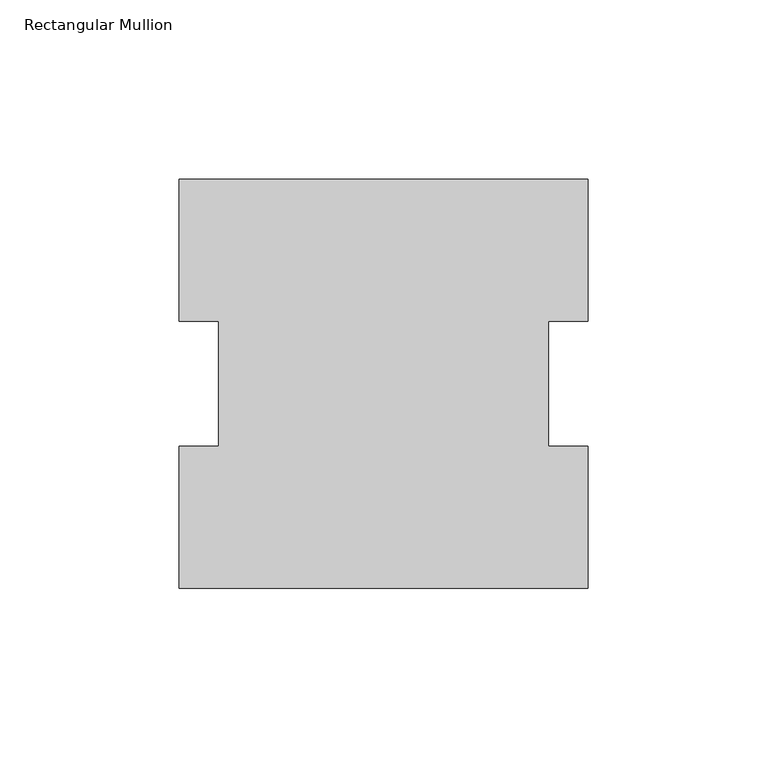
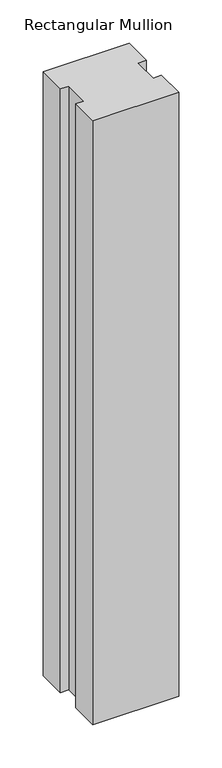
"""IFC4 building model written with IfcOpenShell, lengths in millimetres: member geometry, Rectangular Mullion."""

from ifc_helpers import new_model, si_unit, frame, origin, place, context, project, spatial, polyline, outline, extrude, source, transform, mapped, element, save


def rectangular_mullion_38131f5d(model_context):
    return source(origin(), model_context, "Body", "SweptSolid", [
        extrude(outline(polyline([(-57.15, 114.271425), (57.15, 114.271425), (57.15, 74.596625), (46.0375, 74.596625), (46.0375, 39.646225), (57.15, 39.646225), (57.15, -0.028575), (-57.15, -0.028575), (-57.15, 39.646225), (-46.0375, 39.646225), (-46.0375, 74.596625), (-57.15, 74.596625), (-57.15, 114.271425)])), frame((0.0, 0.0, -850.9), z_axis=(0.0, 0.0, 1.0), x_axis=(1.0, 0.0, 0.0)), (0.0, 0.0, 1.0), 850.9),
    ])


if __name__ == "__main__":
    model = new_model("IFC4")
    model_context = context("Model", 3, world=origin())
    ifc_project = project(units=[si_unit("LENGTHUNIT", "METRE", prefix="MILLI")], contexts=[model_context])
    site = spatial("IfcSite", under=ifc_project)
    building = spatial("IfcBuilding", under=site)
    placement = place(None, origin())
    rectangular_mullion_shape = rectangular_mullion_38131f5d(model_context)
    element("IfcMember", 1, ObjectType="Rectangular Mullion", at=placement, inside=building, context=model_context, shape_type="MappedRepresentation", body=[
        mapped(rectangular_mullion_shape, transform((0.0, 0.0, 0.0), x_axis=(1.0, 0.0, 0.0), y_axis=(0.0, 1.0, 0.0), z_axis=(0.0, 0.0, 1.0))),
    ])
    save(model, "model.ifc")
